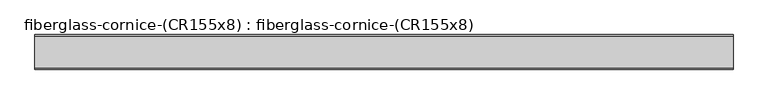
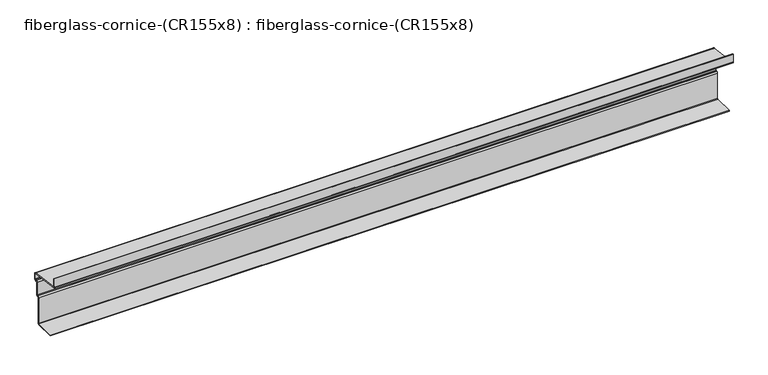
"""IFC4 building model written with IfcOpenShell, lengths in millimetres: furniture geometry, fiberglass-cornice-(CR155x8) : fiberglass-cornice-(CR155x8)."""

from ifc_helpers import new_model, si_unit, point, frame, frame_2d, origin, place, context, project, spatial, polyline, circle_curve, trimmed, segment, composite_curve, outline, extrude, source, transform, mapped, element, save


def fiberglass_cornice_cr155x8_fiberglass_cornice_cr155x8_453961a5(model_context):
    return source(origin(), model_context, "Body", "SweptSolid", [
        extrude(outline(composite_curve([segment(polyline([(106.4314646, 330.1999904), (106.4314646, 279.5805109)]), True, "CONTINUOUS"), segment(trimmed(circle_curve(frame_2d((109.6064646, 279.5805109)), 3.175), [point((106.4314646, 279.5805109))], [point((109.1902045, 276.4329162))], True, "CARTESIAN"), True, "CONTINUOUS"), segment(polyline([(109.1902045, 276.4329162), (294.2754054, 251.9559474)]), True, "CONTINUOUS"), segment(trimmed(circle_curve(frame_2d((293.2257136, 244.0185913)), 8.0064646), [point((294.2754054, 251.9559474))], [point((301.2321781, 244.0185913))], False, "CARTESIAN"), True, "CONTINUOUS"), segment(polyline([(301.2321781, 244.0185913), (301.2321781, 210.0445639)]), True, "CONTINUOUS"), segment(trimmed(circle_curve(frame_2d((293.2257136, 210.0445639)), 8.0064646), [point((301.2321781, 210.0445639))], [point((293.2257136, 202.0380993))], False, "CARTESIAN"), True, "CONTINUOUS"), segment(polyline([(293.2257136, 202.0380993), (291.5220546, 202.0380993), (291.5220546, 205.2130993), (288.5321781, 205.2130993), (288.5321781, 202.0380993), (285.3941826, 202.0380993)]), True, "CONTINUOUS"), segment(trimmed(circle_curve(frame_2d((285.3941826, 198.8630993)), 3.175), [point((285.3941826, 202.0380993))], [point((282.2191826, 198.8630993))], True, "CARTESIAN"), True, "CONTINUOUS"), segment(polyline([(282.2191826, 198.8630993), (282.2191826, 124.2598077)]), True, "CONTINUOUS"), segment(trimmed(circle_curve(frame_2d((274.212718, 124.2598077)), 8.0064646), [point((282.2191826, 124.2598077))], [point((274.212718, 116.2533432))], False, "CARTESIAN"), True, "CONTINUOUS"), segment(polyline([(274.212718, 116.2533432), (271.1066837, 116.2533432)]), True, "CONTINUOUS"), segment(trimmed(circle_curve(frame_2d((271.1066837, 113.0783432)), 3.175), [point((271.1066837, 116.2533432))], [point((267.9316837, 113.0783432))], True, "CARTESIAN"), True, "CONTINUOUS"), segment(polyline([(267.9316837, 113.0783432), (267.9316837, -43.9554119)]), True, "CONTINUOUS"), segment(trimmed(circle_curve(frame_2d((259.9252192, -43.9554119)), 8.0064646), [point((267.9316837, -43.9554119))], [point((259.9252192, -51.9618765))], False, "CARTESIAN"), True, "CONTINUOUS"), segment(polyline([(259.9252192, -51.9618765), (142.5191837, -51.9618765), (142.5191837, -47.1304119), (259.9252192, -47.1304119)]), True, "CONTINUOUS"), segment(trimmed(circle_curve(frame_2d((259.9252192, -43.9554119)), 3.175), [point((259.9252192, -47.1304119))], [point((263.1002192, -43.9554119))], True, "CARTESIAN"), True, "CONTINUOUS"), segment(polyline([(263.1002192, -43.9554119), (263.1002192, 113.0783432)]), True, "CONTINUOUS"), segment(trimmed(circle_curve(frame_2d((271.1066837, 113.0783432)), 8.0064646), [point((263.1002192, 113.0783432))], [point((271.1066837, 121.0848077))], False, "CARTESIAN"), True, "CONTINUOUS"), segment(polyline([(271.1066837, 121.0848077), (274.212718, 121.0848077)]), True, "CONTINUOUS"), segment(trimmed(circle_curve(frame_2d((274.212718, 124.2598077)), 3.175), [point((274.212718, 121.0848077))], [point((277.387718, 124.2598077))], True, "CARTESIAN"), True, "CONTINUOUS"), segment(polyline([(277.387718, 124.2598077), (277.387718, 203.6945639)]), True, "CONTINUOUS"), segment(trimmed(circle_curve(frame_2d((285.3941826, 203.6945639)), 8.0064646), [point((277.387718, 203.6945639))], [point((285.3941826, 211.7010285))], False, "CARTESIAN"), True, "CONTINUOUS"), segment(polyline([(285.3941826, 211.7010285), (293.2257136, 211.7010285)]), True, "CONTINUOUS"), segment(trimmed(circle_curve(frame_2d((293.2257136, 214.8760285)), 3.175), [point((293.2257136, 211.7010285))], [point((296.4007136, 214.8760285))], True, "CARTESIAN"), True, "CONTINUOUS"), segment(polyline([(296.4007136, 214.8760285), (296.4007136, 244.0185913)]), True, "CONTINUOUS"), segment(trimmed(circle_curve(frame_2d((293.2257136, 244.0185913)), 3.175), [point((296.4007136, 244.0185913))], [point((293.6419736, 247.166186))], True, "CARTESIAN"), True, "CONTINUOUS"), segment(polyline([(293.6419736, 247.166186), (108.5567728, 271.6431548)]), True, "CONTINUOUS"), segment(trimmed(circle_curve(frame_2d((109.6064646, 279.5805109)), 8.0064646), [point((108.5567728, 271.6431548))], [point((101.6, 279.5805109))], False, "CARTESIAN"), True, "CONTINUOUS"), segment(polyline([(101.6, 279.5805109), (101.6, 330.1999904), (106.4314646, 330.1999904)]), True, "CONTINUOUS")], self_intersect=False)), frame((-2012.9498044, 0.0, 0.0), z_axis=(1.0, 0.0, 0.0), x_axis=(0.0, 1.0, 0.0)), (0.0, 0.0, 1.0), 4025.8996087),
    ])


if __name__ == "__main__":
    model = new_model("IFC4")
    model_context = context("Model", 3, world=origin())
    ifc_project = project(units=[si_unit("LENGTHUNIT", "METRE", prefix="MILLI")], contexts=[model_context])
    site = spatial("IfcSite", under=ifc_project)
    building = spatial("IfcBuilding", under=site)
    placement = place(None, origin())
    fiberglass_cornice_cr155x8_fiberglass_cornice_cr155x8_shape = fiberglass_cornice_cr155x8_fiberglass_cornice_cr155x8_453961a5(model_context)
    element("IfcFurniture", 1, ObjectType="fiberglass-cornice-(CR155x8) : fiberglass-cornice-(CR155x8)", at=placement, inside=building, context=model_context, shape_type="MappedRepresentation", body=[
        mapped(fiberglass_cornice_cr155x8_fiberglass_cornice_cr155x8_shape, transform((0.0, 0.0, 0.0), x_axis=(1.0, 0.0, 0.0), y_axis=(0.0, 1.0, 0.0), z_axis=(0.0, 0.0, 1.0))),
    ])
    save(model, "model.ifc")
